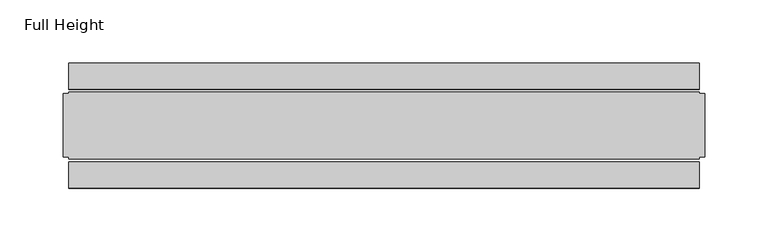
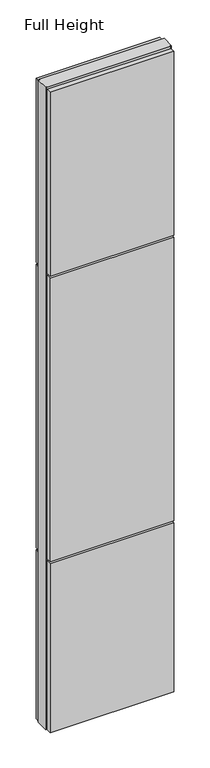
"""IFC4 building model written with IfcOpenShell, lengths in millimetres: plate geometry, Full Height."""

from ifc_helpers import new_model, si_unit, frame, origin, origin_with_axes, place, context, project, spatial, polyline, outline, extrude, source, transform, mapped, element, save


def full_height_e592a038(model_context):
    return source(origin(), model_context, "Body", "SweptSolid", [
        extrude(outline(polyline([(249.428, 28.956), (-249.428, 28.956), (-249.428, 49.53), (249.428, 49.53), (249.428, 28.956)])), frame((0.0, 0.0, 1949.196), z_axis=(0.0, 0.0, 1.0), x_axis=(1.0, 0.0, 0.0)), (0.0, 0.0, 1.0), 784.86),
        extrude(outline(polyline([(249.428, 28.956), (-249.428, 28.956), (-249.428, 49.53), (249.428, 49.53), (249.428, 28.956)])), frame((0.0, 0.0, 729.996), z_axis=(0.0, 0.0, 1.0), x_axis=(1.0, 0.0, 0.0)), (0.0, 0.0, 1.0), 1210.056),
        extrude(outline(polyline([(249.428, 28.956), (-249.428, 28.956), (-249.428, 49.53), (249.428, 49.53), (249.428, 28.956)])), origin_with_axes(), (0.0, 0.0, 1.0), 720.852),
        extrude(outline(polyline([(249.428, -28.956), (249.428, -49.53), (-249.428, -49.53), (-249.428, -28.956), (249.428, -28.956)])), frame((0.0, 0.0, 1949.196), z_axis=(0.0, 0.0, 1.0), x_axis=(1.0, 0.0, 0.0)), (0.0, 0.0, 1.0), 784.86),
        extrude(outline(polyline([(249.428, -28.956), (249.428, -49.53), (-249.428, -49.53), (-249.428, -28.956), (249.428, -28.956)])), frame((0.0, 0.0, 729.996), z_axis=(0.0, 0.0, 1.0), x_axis=(1.0, 0.0, 0.0)), (0.0, 0.0, 1.0), 1210.056),
        extrude(outline(polyline([(249.428, -28.956), (249.428, -49.53), (-249.428, -49.53), (-249.428, -28.956), (249.428, -28.956)])), origin_with_axes(), (0.0, 0.0, 1.0), 720.852),
        extrude(outline(polyline([(249.428, -25.146), (249.428, -26.67), (-249.428, -26.67), (-249.428, -25.146), (-254.0, -25.146), (-254.0, 25.146), (-249.428, 25.146), (-249.428, 26.67), (249.428, 26.67), (249.428, 25.146), (254.0, 25.146), (254.0, -25.146), (249.428, -25.146)])), origin_with_axes(), (0.0, 0.0, 1.0), 2743.2),
    ])


if __name__ == "__main__":
    model = new_model("IFC4")
    model_context = context("Model", 3, world=origin())
    ifc_project = project(units=[si_unit("LENGTHUNIT", "METRE", prefix="MILLI")], contexts=[model_context])
    site = spatial("IfcSite", under=ifc_project)
    building = spatial("IfcBuilding", under=site)
    placement = place(None, origin())
    full_height_shape = full_height_e592a038(model_context)
    element("IfcPlate", 1, ObjectType="Full Height", at=placement, inside=building, context=model_context, shape_type="MappedRepresentation", body=[
        mapped(full_height_shape, transform((0.0, 0.0, 0.0), x_axis=(1.0, 0.0, 0.0), y_axis=(0.0, 1.0, 0.0), z_axis=(0.0, 0.0, 1.0))),
    ])
    save(model, "model.ifc")
